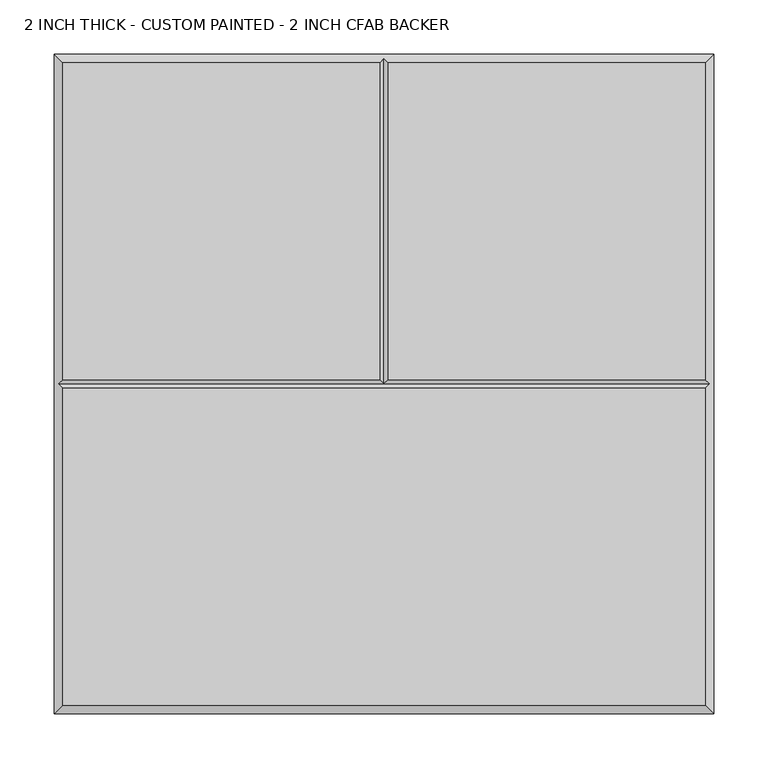
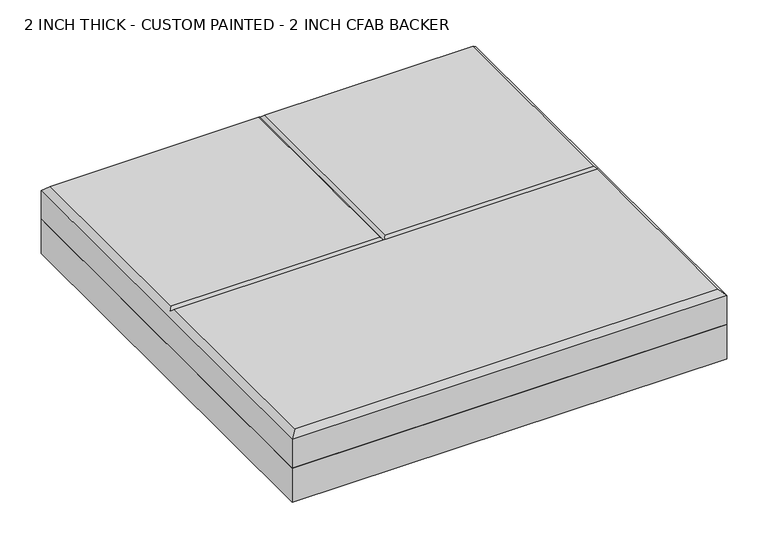
"""IFC4 building model written with IfcOpenShell, lengths in millimetres: proxy geometry, 2 INCH THICK - CUSTOM PAINTED - 2 INCH CFAB BACKER."""

from ifc_helpers import new_model, si_unit, frame, origin, place, context, project, spatial, polyline, outline, extrude, faceted_brep, source, transform, mapped, element, save


def proxy_2_inch_thick_custom_painted_2_inch_cfab_backer_3b51c2d8(model_context):
    return source(origin(), model_context, "Body", "SolidModel", [
        extrude(outline(polyline([(-304.8, 304.8), (304.8, 304.8), (304.8, -304.8), (-304.8, -304.8), (-304.8, 304.8)])), frame((0.0, 0.0, -50.8), z_axis=(0.0, 0.0, 1.0), x_axis=(1.0, 0.0, 0.0)), (0.0, 0.0, 1.0), 50.8),
        faceted_brep([(-296.799, -296.799, 50.8), (296.799, -296.799, 50.8), (296.799, -4.0005127, 50.8), (-296.799, -4.0005127, 50.8), (-296.799, 296.799, 50.8), (-296.799, 4.0004873, 50.8), (-4.0005, 4.0004873, 50.8), (-4.0005, 296.799, 50.8), (296.799, 4.0004873, 50.8), (296.799, 296.799, 50.8), (4.0005, 296.799, 50.8), (4.0005, 4.0004873, 50.8), (-304.8, 304.8, 0.0), (304.8, 304.8, 0.0), (304.8, -304.8, 0.0), (-304.8, -304.8, 0.0), (-304.8, -304.8, 42.799), (-304.8, 304.8, 42.799), (304.8, -304.8, 42.799), (304.8, 304.8, 42.799), (0.0, 300.7995, 46.7995), (-300.7995, -1.27e-05, 46.7995), (300.7995, -1.27e-05, 46.7995), (0.0, -1.27e-05, 46.7995)], [[[0, 1, 2, 3]], [[4, 5, 6, 7]], [[8, 9, 10, 11]], [[12, 13, 14, 15]], [[12, 15, 16, 17]], [[15, 14, 18, 16]], [[14, 13, 19, 18]], [[13, 12, 17, 19]], [[17, 4, 7, 20, 10, 9, 19]], [[4, 17, 16, 0, 3, 21, 5]], [[0, 16, 18, 1]], [[19, 9, 8, 22, 2, 1, 18]], [[5, 21, 23, 6]], [[22, 8, 11, 23]], [[3, 2, 22, 23, 21]], [[20, 23, 11, 10]], [[23, 20, 7, 6]]]),
    ])


if __name__ == "__main__":
    model = new_model("IFC4")
    model_context = context("Model", 3, world=origin())
    ifc_project = project(units=[si_unit("LENGTHUNIT", "METRE", prefix="MILLI")], contexts=[model_context])
    site = spatial("IfcSite", under=ifc_project)
    building = spatial("IfcBuilding", under=site)
    placement = place(None, origin())
    proxy_2_inch_thick_custom_painted_2_inch_cfab_backer_shape = proxy_2_inch_thick_custom_painted_2_inch_cfab_backer_3b51c2d8(model_context)
    element("IfcBuildingElementProxy", 1, Name="2 INCH THICK - CUSTOM PAINTED - 2 INCH CFAB BACKER", ObjectType="2 INCH THICK - CUSTOM PAINTED - 2 INCH CFAB BACKER", at=placement, inside=building, context=model_context, shape_type="MappedRepresentation", body=[
        mapped(proxy_2_inch_thick_custom_painted_2_inch_cfab_backer_shape, transform((0.0, 0.0, 0.0), x_axis=(1.0, 0.0, 0.0), y_axis=(0.0, 1.0, 0.0), z_axis=(0.0, 0.0, 1.0))),
    ])
    save(model, "model.ifc")
